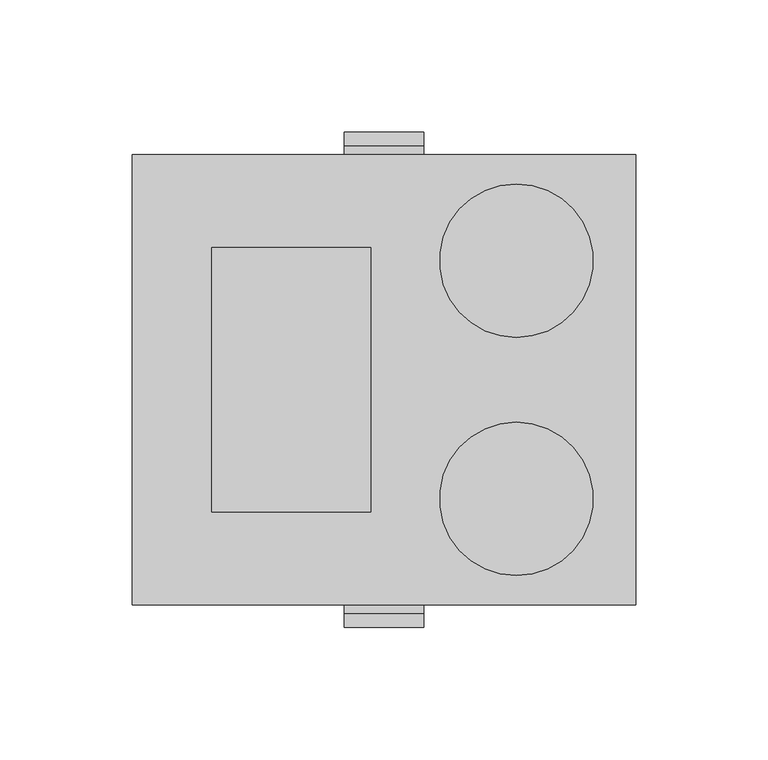
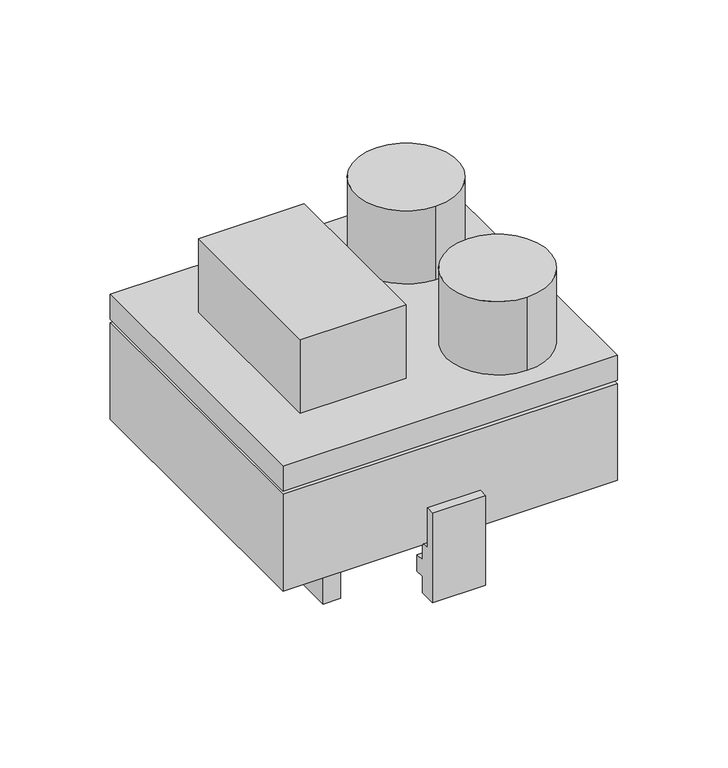
"""IFC4 building model written with IfcOpenShell, lengths in millimetres: proxy geometry."""

from ifc_helpers import new_model, si_unit, point, frame, frame_2d, origin, origin_with_axes, place, context, project, spatial, polyline, circle_curve, trimmed, segment, composite_curve, outline, extrude, source, transform, mapped, element, save


def electrical_fixtures_858c5d2e(model_context):
    return source(origin(), model_context, "Body", "SweptSolid", [
        extrude(outline(polyline([(0.0, -55.0), (0.0, 55.0), (10.0, 55.0), (10.0, -55.0), (0.0, -55.0)])), frame((0.0, 0.0, -40.0), z_axis=(0.0, 0.0, 1.0), x_axis=(1.0, 0.0, 0.0)), (0.0, 0.0, 1.0), 40.0),
        extrude(outline(polyline([(-93.5, -30.0), (-93.5, 24.0), (-88.5, 24.0), (-88.5, 0.0), (-83.5, 0.0), (-83.5, -10.0), (-78.5, -10.0), (-78.5, -20.0), (-83.5, -20.0), (-83.5, -30.0), (-93.5, -30.0)])), frame((40.0, 0.0, 0.0), z_axis=(1.0, 0.0, 0.0), x_axis=(0.0, 1.0, 0.0)), (0.0, 0.0, 1.0), 30.0),
        extrude(outline(polyline([(93.5, -30.0), (83.5, -30.0), (83.5, -20.0), (78.5, -20.0), (78.5, -10.0), (83.5, -10.0), (83.5, 0.0), (88.5, 0.0), (88.5, 24.0), (93.5, 24.0), (93.5, -30.0)])), frame((40.0, 0.0, 0.0), z_axis=(1.0, 0.0, 0.0), x_axis=(0.0, 1.0, 0.0)), (0.0, 0.0, 1.0), 30.0),
        extrude(outline(polyline([(-10.0, 50.0), (50.0, 50.0), (50.0, -50.0), (-10.0, -50.0), (-10.0, 50.0)])), frame((0.0, 0.0, 75.0), z_axis=(0.0, 0.0, 1.0), x_axis=(1.0, 0.0, 0.0)), (0.0, 0.0, 1.0), 44.0),
        extrude(outline(composite_curve([segment(trimmed(circle_curve(frame_2d((105.0, -45.0)), 29.0), [point((105.0, -16.0))], [point((105.0, -74.0))], False, "CARTESIAN"), True, "CONTINUOUS"), segment(trimmed(circle_curve(frame_2d((105.0, -45.0)), 29.0), [point((105.0, -74.0))], [point((105.0, -16.0))], False, "CARTESIAN"), True, "CONTINUOUS")], self_intersect=False)), frame((0.0, 0.0, 75.0), z_axis=(0.0, 0.0, 1.0), x_axis=(1.0, 0.0, 0.0)), (0.0, 0.0, 1.0), 44.0),
        extrude(outline(composite_curve([segment(trimmed(circle_curve(frame_2d((105.0, 45.0)), 29.0), [point((105.0, 74.0))], [point((105.0, 16.0))], False, "CARTESIAN"), True, "CONTINUOUS"), segment(trimmed(circle_curve(frame_2d((105.0, 45.0)), 29.0), [point((105.0, 16.0))], [point((105.0, 74.0))], False, "CARTESIAN"), True, "CONTINUOUS")], self_intersect=False)), frame((0.0, 0.0, 75.0), z_axis=(0.0, 0.0, 1.0), x_axis=(1.0, 0.0, 0.0)), (0.0, 0.0, 1.0), 44.0),
        extrude(outline(polyline([(-40.0, -85.0), (-40.0, 85.0), (150.0, 85.0), (150.0, -85.0), (-40.0, -85.0)])), origin_with_axes(), (0.0, 0.0, 1.0), 58.0),
        extrude(outline(polyline([(-40.0, -85.0), (-40.0, 85.0), (150.0, 85.0), (150.0, -85.0), (-40.0, -85.0)])), frame((0.0, 0.0, 60.0), z_axis=(0.0, 0.0, 1.0), x_axis=(1.0, 0.0, 0.0)), (0.0, 0.0, 1.0), 15.0),
    ])


if __name__ == "__main__":
    model = new_model("IFC4")
    model_context = context("Model", 3, world=origin())
    ifc_project = project(units=[si_unit("LENGTHUNIT", "METRE", prefix="MILLI")], contexts=[model_context])
    site = spatial("IfcSite", under=ifc_project)
    building = spatial("IfcBuilding", under=site)
    placement = place(None, origin())
    electrical_fixtures_shape = electrical_fixtures_858c5d2e(model_context)
    element("IfcBuildingElementProxy", 1, Name="Electrical Fixtures", at=placement, inside=building, context=model_context, shape_type="MappedRepresentation", body=[
        mapped(electrical_fixtures_shape, transform((0.0, 0.0, 0.0), x_axis=(1.0, 0.0, 0.0), y_axis=(0.0, 1.0, 0.0), z_axis=(0.0, 0.0, 1.0))),
    ])
    save(model, "model.ifc")
